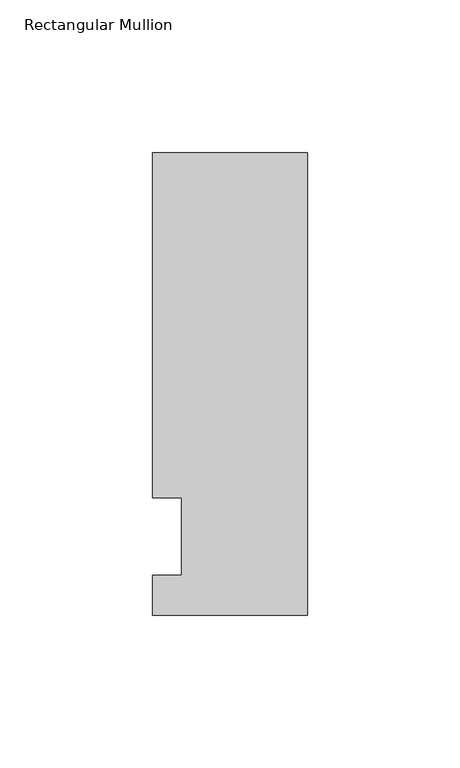
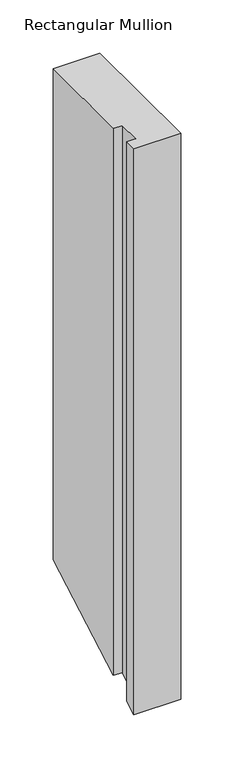
"""IFC4 building model written with IfcOpenShell, lengths in millimetres: member geometry, Rectangular Mullion."""

from ifc_helpers import new_model, si_unit, origin, place, context, project, spatial, faceted_brep, source, transform, mapped, element, save


def rectangular_mullion_aa75a33b(model_context):
    return source(origin(), model_context, "Body", "Brep", [
        faceted_brep([(-50.8, -25.7961253, 0.0), (0.0, -25.7961253, 0.0), (0.0, 125.8036906, 0.0), (-50.8, 125.8036906, 0.0), (-50.8, 12.7, 0.0), (-41.275, 12.7, 0.0), (-41.275, -12.7, 0.0), (-50.8, -12.7, 0.0), (-50.8, -25.7961253, -649.5947455), (0.0, -25.7961253, -649.5947455), (0.0, 125.8036906, -563.8236965), (-50.8, 125.8036906, -563.8236965), (-50.8, 12.7, -627.8146857), (-41.275, 12.7, -627.8146857), (-41.275, -12.7, -642.1853143), (-50.8, -12.7, -642.1853143)], [[[0, 1, 2, 3, 4, 5, 6, 7]], [[1, 0, 8, 9]], [[2, 1, 9, 10]], [[3, 2, 10, 11]], [[4, 3, 11, 12]], [[5, 4, 12, 13]], [[6, 5, 13, 14]], [[7, 6, 14, 15]], [[0, 7, 15, 8]], [[8, 15, 14, 13, 12, 11, 10, 9]]]),
    ])


if __name__ == "__main__":
    model = new_model("IFC4")
    model_context = context("Model", 3, world=origin())
    ifc_project = project(units=[si_unit("LENGTHUNIT", "METRE", prefix="MILLI")], contexts=[model_context])
    site = spatial("IfcSite", under=ifc_project)
    building = spatial("IfcBuilding", under=site)
    placement = place(None, origin())
    rectangular_mullion_shape = rectangular_mullion_aa75a33b(model_context)
    element("IfcMember", 1, ObjectType="Rectangular Mullion", at=placement, inside=building, context=model_context, shape_type="MappedRepresentation", body=[
        mapped(rectangular_mullion_shape, transform((0.0, 0.0, 0.0), x_axis=(1.0, 0.0, 0.0), y_axis=(0.0, 1.0, 0.0), z_axis=(0.0, 0.0, 1.0))),
    ])
    save(model, "model.ifc")
